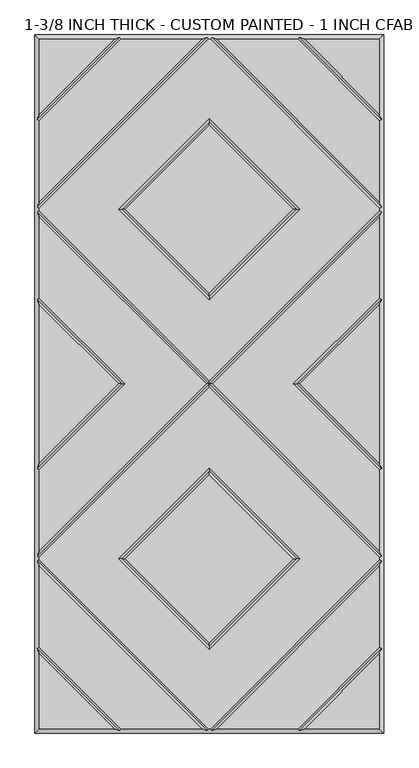
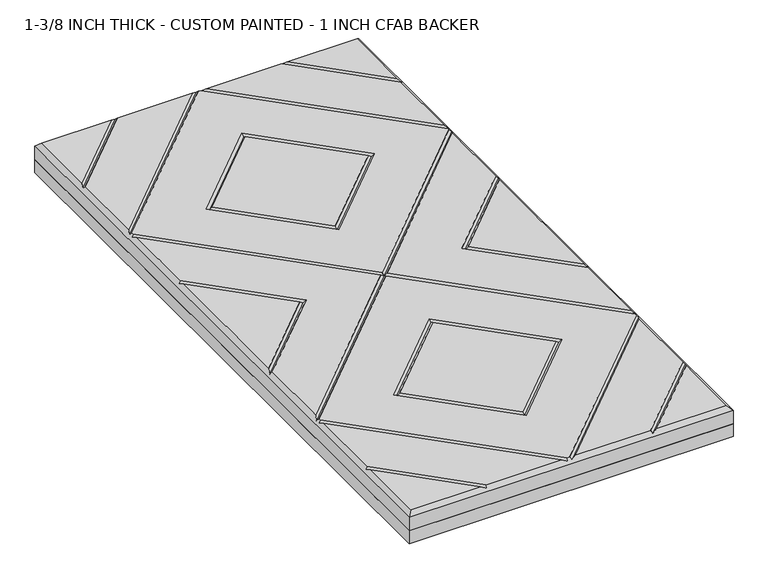
"""IFC4 building model written with IfcOpenShell, lengths in millimetres: proxy geometry, 1-3/8 INCH THICK - CUSTOM PAINTED - 1 INCH CFAB BACKER."""

from ifc_helpers import new_model, si_unit, frame, origin, place, context, project, spatial, polyline, outline, extrude, faceted_brep, source, transform, mapped, element, save


def proxy_1_3_8_inch_thick_custom_painted_1_inch_cfab_backer_7cf42140(model_context):
    return source(origin(), model_context, "Body", "SolidModel", [
        extrude(outline(polyline([(-304.8, 609.6), (304.8, 609.6), (304.8, -609.6), (-304.8, -609.6), (-304.8, 609.6)])), frame((0.0, 0.0, -25.4), z_axis=(0.0, 0.0, 1.0), x_axis=(1.0, 0.0, 0.0)), (0.0, 0.0, 1.0), 25.4),
        faceted_brep([(296.799, 470.8590948, 34.925), (296.799, 601.599, 34.925), (166.0590948, 601.599, 34.925), (-166.0590948, 601.599, 34.925), (-296.799, 601.599, 34.925), (-296.799, 470.8590948, 34.925), (2.3434141, 601.599, 34.925), (-2.343464, 601.599, 34.925), (-296.799, 307.143464, 34.925), (-296.799, 302.4565868, 34.925), (0.0, 5.6575868, 34.925), (296.799, 302.4565868, 34.925), (296.799, 307.1434632, 34.925), (158.0575614, 304.8000254, 34.925), (0.0, 146.742464, 34.925), (-158.0575614, 304.8000254, 34.925), (0.0, 462.8575868, 34.925), (166.0590079, -601.599, 34.925), (296.799, -601.599, 34.925), (296.799, -470.8585721, 34.925), (-296.799, -601.599, 34.925), (-166.0590079, -601.599, 34.925), (-296.799, -470.8585721, 34.925), (-154.743972, 601.599, 34.925), (-296.799, 459.543972, 34.925), (-296.799, 318.4585868, 34.925), (-13.6585868, 601.599, 34.925), (-2.3434382, -601.599, 34.925), (2.3434382, -601.599, 34.925), (296.799, -307.1434137, 34.925), (296.799, -302.456536, 34.925), (0.0, -5.657536, 34.925), (-296.799, -302.456536, 34.925), (-296.799, -307.1434137, 34.925), (-158.0575614, -304.7999746, 34.925), (0.0, -146.7424132, 34.925), (158.0575614, -304.7999746, 34.925), (0.0, -462.857536, 34.925), (13.6585378, 601.599, 34.925), (296.799, 318.458585, 34.925), (296.799, 459.543972, 34.925), (154.743972, 601.599, 34.925), (296.799, -318.4585369, 34.925), (13.6585605, -601.599, 34.925), (154.743904, -601.599, 34.925), (296.799, -459.5434305, 34.925), (-13.6585605, -601.599, 34.925), (-296.799, -318.4585369, 34.925), (-296.799, -459.5434305, 34.925), (-154.743904, -601.599, 34.925), (0.0, 158.0575868, 34.925), (146.7424386, 304.8000254, 34.925), (0.0, 451.542464, 34.925), (-146.7424386, 304.8000254, 34.925), (-296.799, 291.141464, 34.925), (-296.799, 150.0565868, 34.925), (-146.7424386, 2.54e-05, 34.925), (-296.799, -150.056536, 34.925), (-296.799, -291.1414132, 34.925), (-5.6575614, 2.54e-05, 34.925), (-296.799, 138.741464, 34.925), (-296.799, -138.7414132, 34.925), (-158.0575614, 2.54e-05, 34.925), (5.6575614, 2.54e-05, 34.925), (296.799, -291.1414132, 34.925), (296.799, -150.056536, 34.925), (146.7424386, 2.54e-05, 34.925), (296.799, 150.0565868, 34.925), (296.799, 291.141464, 34.925), (296.799, -138.7414132, 34.925), (296.799, 138.741464, 34.925), (158.0575614, 2.54e-05, 34.925), (0.0, -158.057536, 34.925), (-146.7424386, -304.7999746, 34.925), (0.0, -451.5424132, 34.925), (146.7424386, -304.7999746, 34.925), (-304.8, 609.6, 0.0), (304.8, 609.6, 0.0), (304.8, -609.6, 0.0), (-304.8, -609.6, 0.0), (-304.8, -609.6, 26.924), (-304.8, 609.6, 26.924), (304.8, -609.6, 26.924), (304.8, 609.6, 26.924), (-156.4010334, 605.5995, 30.9245), (-4.0005254, 605.5995, 30.9245), (4.0004753, 605.5995, 30.9245), (156.4010334, 605.5995, 30.9245), (-300.7995, -461.2004879, 30.9245), (-300.7995, -308.8004749, 30.9245), (-300.7995, -300.7994746, 30.9245), (-300.7995, -148.3994746, 30.9245), (-300.7995, 148.3995254, 30.9245), (-300.7995, 300.7995254, 30.9245), (-300.7995, 308.8005254, 30.9245), (-300.7995, 461.2010334, 30.9245), (156.4009693, -605.5995, 30.9245), (4.0004997, -605.5995, 30.9245), (-4.0004997, -605.5995, 30.9245), (-156.4009693, -605.5995, 30.9245), (300.7995, 461.2010334, 30.9245), (300.7995, 308.8005247, 30.9245), (300.7995, 300.7995254, 30.9245), (300.7995, 148.3995254, 30.9245), (300.7995, -148.3994746, 30.9245), (300.7995, -300.7994746, 30.9245), (300.7995, -308.8004749, 30.9245), (300.7995, -461.2004879, 30.9245), (0.0, 2.54e-05, 30.9245), (152.4, 304.8000254, 30.9245), (0.0, 152.4000254, 30.9245), (-152.4, 304.8000254, 30.9245), (0.0, 457.2000254, 30.9245), (-152.4, 2.54e-05, 30.9245), (152.4, 2.54e-05, 30.9245), (0.0, -152.3999746, 30.9245), (-152.4, -304.7999746, 30.9245), (0.0, -457.1999746, 30.9245), (152.4, -304.7999746, 30.9245)], [[[0, 1, 2]], [[3, 4, 5]], [[6, 7, 8, 9, 10, 11, 12], [13, 14, 15, 16]], [[17, 18, 19]], [[20, 21, 22]], [[23, 24, 25, 26]], [[27, 28, 29, 30, 31, 32, 33], [34, 35, 36, 37]], [[38, 39, 40, 41]], [[42, 43, 44, 45]], [[46, 47, 48, 49]], [[50, 51, 52, 53]], [[54, 55, 56, 57, 58, 59]], [[60, 61, 62]], [[63, 64, 65, 66, 67, 68]], [[69, 70, 71]], [[72, 73, 74, 75]], [[76, 77, 78, 79]], [[76, 79, 80, 81]], [[79, 78, 82, 80]], [[78, 77, 83, 82]], [[77, 76, 81, 83]], [[81, 4, 3, 84, 23, 26, 85, 7, 6, 86, 38, 41, 87, 2, 1, 83]], [[4, 81, 80, 20, 22, 88, 48, 47, 89, 33, 32, 90, 58, 57, 91, 61, 60, 92, 55, 54, 93, 9, 8, 94, 25, 24, 95, 5]], [[20, 80, 82, 18, 17, 96, 44, 43, 97, 28, 27, 98, 46, 49, 99, 21]], [[83, 1, 0, 100, 40, 39, 101, 12, 11, 102, 68, 67, 103, 70, 69, 104, 65, 64, 105, 30, 29, 106, 42, 45, 107, 19, 18, 82]], [[84, 95, 24, 23]], [[95, 84, 3, 5]], [[101, 86, 6, 12]], [[86, 101, 39, 38]], [[85, 94, 8, 7]], [[94, 85, 26, 25]], [[9, 93, 108, 10]], [[105, 64, 63, 108]], [[93, 54, 59, 108]], [[30, 105, 108, 31]], [[106, 97, 43, 42]], [[97, 106, 29, 28]], [[98, 89, 47, 46]], [[89, 98, 27, 33]], [[109, 110, 14, 13]], [[110, 109, 51, 50]], [[14, 110, 111, 15]], [[110, 50, 53, 111]], [[15, 111, 112, 16]], [[111, 53, 52, 112]], [[109, 13, 16, 112]], [[51, 109, 112, 52]], [[87, 100, 0, 2]], [[100, 87, 41, 40]], [[113, 56, 55, 92]], [[62, 113, 92, 60]], [[56, 113, 91, 57]], [[113, 62, 61, 91]], [[90, 108, 59, 58]], [[108, 102, 11, 10]], [[108, 90, 32, 31]], [[102, 108, 63, 68]], [[114, 71, 70, 103]], [[66, 114, 103, 67]], [[71, 114, 104, 69]], [[114, 66, 65, 104]], [[115, 116, 73, 72]], [[116, 115, 35, 34]], [[73, 116, 117, 74]], [[116, 34, 37, 117]], [[74, 117, 118, 75]], [[117, 37, 36, 118]], [[115, 72, 75, 118]], [[35, 115, 118, 36]], [[88, 99, 49, 48]], [[99, 88, 22, 21]], [[107, 96, 17, 19]], [[96, 107, 45, 44]]]),
    ])


if __name__ == "__main__":
    model = new_model("IFC4")
    model_context = context("Model", 3, world=origin())
    ifc_project = project(units=[si_unit("LENGTHUNIT", "METRE", prefix="MILLI")], contexts=[model_context])
    site = spatial("IfcSite", under=ifc_project)
    building = spatial("IfcBuilding", under=site)
    placement = place(None, origin())
    proxy_1_3_8_inch_thick_custom_painted_1_inch_cfab_backer_shape = proxy_1_3_8_inch_thick_custom_painted_1_inch_cfab_backer_7cf42140(model_context)
    element("IfcBuildingElementProxy", 1, Name="1-3/8 INCH THICK - CUSTOM PAINTED - 1 INCH CFAB BACKER", ObjectType="1-3/8 INCH THICK - CUSTOM PAINTED - 1 INCH CFAB BACKER", at=placement, inside=building, context=model_context, shape_type="MappedRepresentation", body=[
        mapped(proxy_1_3_8_inch_thick_custom_painted_1_inch_cfab_backer_shape, transform((0.0, 0.0, 0.0), x_axis=(1.0, 0.0, 0.0), y_axis=(0.0, 1.0, 0.0), z_axis=(0.0, 0.0, 1.0))),
    ])
    save(model, "model.ifc")
